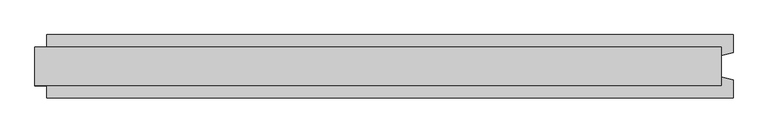
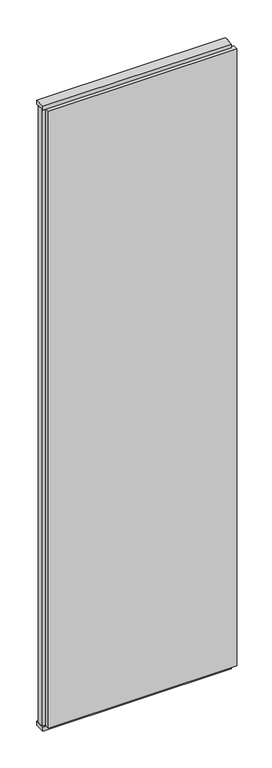
"""IFC4 building model written with IfcOpenShell, lengths in millimetres: plate geometry."""

from ifc_helpers import new_model, si_unit, frame, origin, origin_with_axes, place, context, project, spatial, polyline, outline, extrude, source, transform, mapped, element, save


def plate_b090a498(model_context):
    return source(origin(), model_context, "Body", "SweptSolid", [
        extrude(outline(polyline([(590.5, 52.5), (590.5, 22.9993165), (570.5, 17.6401049), (570.5, -17.6401049), (590.5, -22.9993165), (590.5, -52.5), (-550.5, -52.5), (-550.5, -22.9993165), (-570.5, -17.6401049), (-570.5, 17.6401049), (-550.5, 22.9993165), (-550.5, 52.5), (590.5, 52.5)])), frame((0.0, 0.0, 25.0), z_axis=(0.0, 0.0, 1.0), x_axis=(1.0, 0.0, 0.0)), (0.0, 0.0, 1.0), 3950.0),
        extrude(outline(polyline([(570.5, 32.0), (570.5, -32.0), (-570.5, -32.0), (-570.5, 32.0), (570.5, 32.0)])), origin_with_axes(), (0.0, 0.0, 1.0), 25.0),
        extrude(outline(polyline([(570.5, 32.0), (570.5, -32.0), (-570.5, -32.0), (-570.5, 32.0), (570.5, 32.0)])), frame((0.0, 0.0, 3975.0), z_axis=(0.0, 0.0, 1.0), x_axis=(1.0, 0.0, 0.0)), (0.0, 0.0, 1.0), 25.0),
    ])


if __name__ == "__main__":
    model = new_model("IFC4")
    model_context = context("Model", 3, world=origin())
    ifc_project = project(units=[si_unit("LENGTHUNIT", "METRE", prefix="MILLI")], contexts=[model_context])
    site = spatial("IfcSite", under=ifc_project)
    building = spatial("IfcBuilding", under=site)
    placement = place(None, origin())
    plate_shape = plate_b090a498(model_context)
    element("IfcPlate", 1, at=placement, inside=building, context=model_context, shape_type="MappedRepresentation", body=[
        mapped(plate_shape, transform((0.0, 0.0, 0.0), x_axis=(1.0, 0.0, 0.0), y_axis=(0.0, 1.0, 0.0), z_axis=(0.0, 0.0, 1.0))),
    ])
    save(model, "model.ifc")
